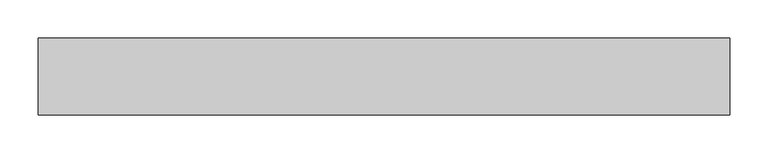
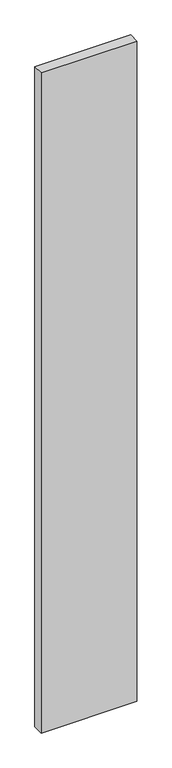
"""IFC4 building model written with IfcOpenShell, lengths in millimetres: proxy geometry."""

from ifc_helpers import new_model, si_unit, frame, origin, place, context, project, spatial, polyline, outline, extrude, source, transform, mapped, element, save


def generic_models_6f3d16d1(model_context):
    return source(origin(), model_context, "Body", "SweptSolid", [
        extrude(outline(polyline([(900.0, 100.0), (900.0, 0.0), (0.0, 0.0), (0.0, 100.0), (900.0, 100.0)])), frame((0.0, 0.0, -6550.0), z_axis=(0.0, 0.0, 1.0), x_axis=(1.0, 0.0, 0.0)), (0.0, 0.0, 1.0), 6550.0),
    ])


if __name__ == "__main__":
    model = new_model("IFC4")
    model_context = context("Model", 3, world=origin())
    ifc_project = project(units=[si_unit("LENGTHUNIT", "METRE", prefix="MILLI")], contexts=[model_context])
    site = spatial("IfcSite", under=ifc_project)
    building = spatial("IfcBuilding", under=site)
    placement = place(None, origin())
    generic_models_shape = generic_models_6f3d16d1(model_context)
    element("IfcBuildingElementProxy", 1, Name="Generic Models", at=placement, inside=building, context=model_context, shape_type="MappedRepresentation", body=[
        mapped(generic_models_shape, transform((0.0, 0.0, 0.0), x_axis=(1.0, 0.0, 0.0), y_axis=(0.0, 1.0, 0.0), z_axis=(0.0, 0.0, 1.0))),
    ])
    save(model, "model.ifc")
